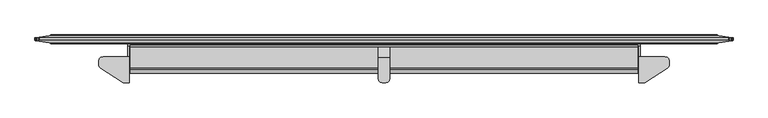
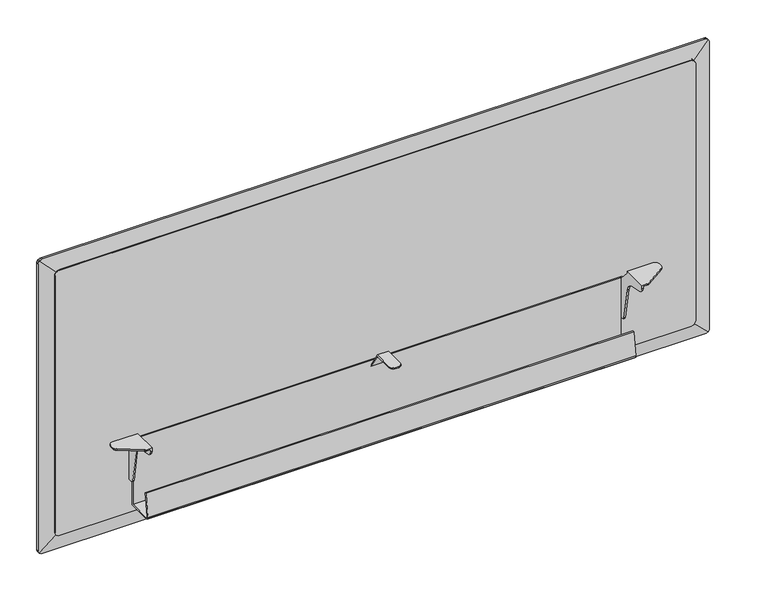
"""IFC4 building model written with IfcOpenShell, lengths in millimetres: furniture geometry."""

from ifc_helpers import new_model, si_unit, frame, origin, place, context, project, spatial, polyline, outline, extrude, faceted_brep, source, transform, mapped, element, save


def furniture_fb8d3886(model_context):
    return source(origin(), model_context, "Body", "SolidModel", [
        faceted_brep([(1373.8859978, -47.2440001, 703.2318954), (1317.1170065, -47.2440001, 703.2318954), (1317.1170065, -103.8860008, 703.2318954), (1328.2202986, -103.8860008, 703.2318954), (1330.0649535, -103.7056703, 703.2318954), (1331.8397543, -103.1715187, 703.2318954), (1333.4774996, -102.3037619, 703.2318954), (1379.1431987, -72.0782948, 703.2318954), (1381.4257901, -69.955943, 703.2318954), (1382.9010453, -67.2103598, 703.2318954), (1383.4109978, -64.1355338, 703.2318954), (1383.4109978, -56.7690004, 703.2318954), (1382.1348948, -52.0064998, 703.2318954), (1378.6484978, -48.520108, 703.2318954), (1317.1170065, -103.8860008, 695.6004571), (1320.1649945, -103.8860008, 695.6004571), (1320.1649945, -103.8860008, 700.1838983), (1328.2202986, -103.8860008, 700.1838983), (1320.1649945, -19.05, 578.009924), (1307.3380068, -19.05, 578.009924), (1302.5755068, -19.05, 579.2860452), (1299.0891098, -19.05, 582.772424), (1297.8130068, -19.05, 587.534924), (1297.8130068, -19.05, 663.7348876), (1299.0891098, -19.05, 668.4973876), (1302.5755068, -19.05, 671.9838027), (1307.3380068, -19.05, 673.2598876), (1320.1649945, -19.05, 673.2598876), (1320.1649945, -47.2440001, 700.1838983), (1373.8859978, -47.2440001, 700.1838983), (1378.6484978, -48.520108, 700.1838983), (1382.1348948, -52.0064998, 700.1838983), (1383.4109978, -56.7690004, 700.1838983), (1383.4109978, -64.1355338, 700.1838983), (1382.9010453, -67.2103598, 700.1838983), (1381.4257901, -69.955943, 700.1838983), (1379.1431987, -72.0782948, 700.1838983), (1333.4774996, -102.3037619, 700.1838983), (1331.8397543, -103.1715187, 700.1838983), (1330.0649535, -103.7056703, 700.1838983), (1320.1649945, -102.535134, 689.9007324), (1320.1649945, -98.769916, 685.4135063), (1320.1649945, -93.3913335, 683.0934444), (1320.1649945, -67.1971565, 678.4746856), (1320.1649945, -57.6502931, 674.6819665), (1320.1649945, -50.386431, 667.418093), (1320.1649945, -46.5937042, 657.8712194), (1320.1649945, -33.4372464, 583.2572418), (1320.1649945, -32.2771995, 580.56798), (1320.1649945, -30.0335922, 578.6853551), (1320.1649945, -27.1837173, 578.009924), (1320.1649945, -24.1299997, 673.2598876), (1320.1649945, -47.2440001, 698.1519002), (1317.1170065, -47.2440001, 698.1519002), (1317.1170065, -24.1299997, 673.2598876), (1307.3380068, -22.0979994, 673.2598876), (1317.1170065, -22.0979994, 673.2598876), (1317.1170065, -98.769916, 685.4135063), (1317.1170065, -93.3913335, 683.0934444), (1317.1170065, -102.535134, 689.9007324), (1317.1170065, -27.1837173, 578.009924), (1317.1170065, -22.0979994, 578.009924), (1307.3380068, -22.0979994, 578.009924), (1317.1170065, -30.0335922, 578.6853551), (1317.1170065, -32.2771995, 580.56798), (1317.1170065, -33.4372464, 583.2572418), (1317.1170065, -46.5937042, 657.8712194), (1317.1170065, -50.386431, 667.418093), (1317.1170065, -57.6502931, 674.6819665), (1317.1170065, -67.1971565, 678.4746856), (1302.5755068, -22.0979994, 671.9838027), (1299.0891098, -22.0979994, 668.4973876), (1297.8130068, -22.0979994, 663.7348876), (1297.8130068, -22.0979994, 587.534924), (1299.0891098, -22.0979994, 582.772424), (1302.5755068, -22.0979994, 579.2860452)], [[[0, 1, 2, 3, 4, 5, 6, 7, 8, 9, 10, 11, 12, 13]], [[3, 2, 14, 15, 16, 17]], [[18, 19, 20, 21, 22, 23, 24, 25, 26, 27]], [[28, 29, 30, 31, 32, 33, 34, 35, 36, 37, 38, 39, 17, 16]], [[16, 15, 40, 41, 42, 43, 44, 45, 46, 47, 48, 49, 50, 18, 27, 51, 52, 28]], [[29, 28, 52, 53, 1, 0]], [[13, 30, 29, 0]], [[12, 31, 30, 13]], [[11, 32, 31, 12]], [[10, 33, 32, 11]], [[9, 34, 33, 10]], [[8, 35, 34, 9]], [[7, 36, 35, 8]], [[6, 37, 36, 7]], [[5, 38, 37, 6]], [[4, 39, 38, 5]], [[3, 17, 39, 4]], [[51, 54, 53, 52]], [[27, 26, 55, 56, 54, 51]], [[41, 57, 58, 42]], [[40, 59, 57, 41]], [[15, 14, 59, 40]], [[50, 60, 61, 62, 19, 18]], [[49, 63, 60, 50]], [[48, 64, 63, 49]], [[47, 65, 64, 48]], [[46, 66, 65, 47]], [[45, 67, 66, 46]], [[44, 68, 67, 45]], [[43, 69, 68, 44]], [[42, 58, 69, 43]], [[61, 60, 63, 64, 65, 66, 67, 68, 69, 58, 57, 59, 14, 2, 1, 53, 54, 56]], [[56, 55, 70, 71, 72, 73, 74, 75, 62, 61]], [[70, 55, 26, 25]], [[25, 24, 71, 70]], [[24, 23, 72, 71]], [[23, 22, 73, 72]], [[22, 21, 74, 73]], [[21, 20, 75, 74]], [[20, 19, 62, 75]]]),
        faceted_brep([(758.8249879, -22.0979994, 576.2815516), (765.175, -22.0979994, 576.2815516), (769.9375, -22.0979994, 577.5576729), (770.9027027, -22.0979994, 578.5228756), (753.0972852, -22.0979994, 578.5228756), (754.0624879, -22.0979994, 577.5576729), (773.4238788, -22.0979994, 581.0440516), (773.6825067, -22.0979994, 582.0092544), (750.3174812, -22.0979994, 582.0092544), (750.5761091, -22.0979994, 581.0440516), (774.6999879, -22.0979994, 586.7717544), (749.2999879, -22.0979994, 586.7717544), (749.2999879, -22.0979994, 585.8065516), (774.6999879, -22.0979994, 585.8065064), (774.6999879, -22.0979994, 656.5709459), (749.2999879, -22.0979994, 656.5709459), (774.6999879, -49.7950483, 699.4207287), (749.2999879, -49.7950483, 699.4207287), (774.6999879, -94.4880459, 699.4207287), (773.4238788, -99.2505007, 699.4207287), (769.9375, -102.7368931, 699.4207287), (766.3416142, -103.7004075, 699.4207287), (757.6583736, -103.7004075, 699.4207287), (754.0624879, -102.7368931, 699.4207287), (750.5761091, -99.2505007, 699.4207287), (749.2999879, -94.4880007, 699.4207287), (749.2999879, -48.7171998, 702.4687258), (774.6999879, -48.7171998, 702.4687258), (774.6999879, -19.05, 656.5709459), (749.2999879, -19.05, 656.5709459), (749.2999879, -94.4880007, 702.4687258), (750.5761091, -99.2505007, 702.4687258), (754.0624879, -102.7368931, 702.4687258), (757.6583736, -103.7004075, 702.4687258), (766.3416142, -103.7004075, 702.4687258), (769.9375, -102.7368931, 702.4687258), (773.4238788, -99.2505007, 702.4687258), (774.6999879, -94.4880459, 702.4687258), (758.8249879, -19.05, 576.2815516), (765.175, -19.05, 576.2815516), (774.6999879, -19.05, 585.8065064), (773.4238788, -19.05, 581.0440516), (769.9375, -19.05, 577.5576729), (754.0624879, -19.05, 577.5576729), (750.5761091, -19.05, 581.0440516), (749.2999879, -19.05, 585.8065516)], [[[0, 1, 2, 3, 4, 5]], [[4, 3, 6, 7, 8, 9]], [[10, 11, 12, 8, 7, 13]], [[11, 10, 14, 15]], [[15, 14, 16, 17]], [[17, 16, 18, 19, 20, 21, 22, 23, 24, 25]], [[26, 27, 28, 29]], [[27, 26, 30, 31, 32, 33, 34, 35, 36, 37]], [[38, 39, 1, 0]], [[29, 28, 40, 41, 42, 39, 38, 43, 44, 45]], [[11, 15, 17, 25, 30, 26, 29, 45, 12]], [[14, 10, 13, 40, 28, 27, 37, 18, 16]], [[6, 41, 40, 13, 7]], [[41, 6, 3, 2, 42]], [[42, 2, 1, 39]], [[5, 43, 38, 0]], [[43, 5, 4, 9, 44]], [[44, 9, 8, 12, 45]], [[36, 19, 18, 37]], [[19, 36, 35, 20]], [[20, 35, 34, 21]], [[21, 34, 33, 22]], [[22, 33, 32, 23]], [[23, 32, 31, 24]], [[24, 31, 30, 25]]]),
        faceted_brep([(150.1140022, -47.2440001, 703.2318954), (145.3515022, -48.520108, 703.2318954), (141.8651052, -52.0064998, 703.2318954), (140.5890022, -56.7690004, 703.2318954), (140.5890022, -64.1355338, 703.2318954), (141.0989547, -67.2103598, 703.2318954), (142.5742099, -69.955943, 703.2318954), (144.8568013, -72.0782948, 703.2318954), (190.5225004, -102.3037619, 703.2318954), (192.1602457, -103.1715187, 703.2318954), (193.9350465, -103.7056703, 703.2318954), (195.7797014, -103.8860008, 703.2318954), (206.8829935, -103.8860008, 703.2318954), (206.8829935, -47.2440001, 703.2318954), (195.7797014, -103.8860008, 700.1838983), (203.8350055, -103.8860008, 700.1838983), (203.8350055, -103.8860008, 695.6004571), (206.8829935, -103.8860008, 695.6004571), (203.8350055, -19.05, 578.009924), (203.8350055, -19.05, 673.2598876), (216.6619932, -19.05, 673.2598876), (221.4244932, -19.05, 671.9838027), (224.9108902, -19.05, 668.4973876), (226.1869932, -19.05, 663.7348876), (226.1869932, -19.05, 587.534924), (224.9108902, -19.05, 582.772424), (221.4244932, -19.05, 579.2860452), (216.6619932, -19.05, 578.009924), (203.8350055, -47.2440001, 700.1838983), (193.9350465, -103.7056703, 700.1838983), (192.1602457, -103.1715187, 700.1838983), (190.5225004, -102.3037619, 700.1838983), (144.8568013, -72.0782948, 700.1838983), (142.5742099, -69.955943, 700.1838983), (141.0989547, -67.2103598, 700.1838983), (140.5890022, -64.1355338, 700.1838983), (140.5890022, -56.7690004, 700.1838983), (141.8651052, -52.0064998, 700.1838983), (145.3515022, -48.520108, 700.1838983), (150.1140022, -47.2440001, 700.1838983), (203.8350055, -47.2440001, 698.1519002), (203.8350055, -24.1299997, 673.2598876), (203.8350055, -27.1837173, 578.009924), (203.8350055, -30.0335922, 578.6853551), (203.8350055, -32.2771995, 580.56798), (203.8350055, -33.4372464, 583.2572418), (203.8350055, -46.5937042, 657.8712194), (203.8350055, -50.386431, 667.418093), (203.8350055, -57.6502931, 674.6819665), (203.8350055, -67.1971565, 678.4746856), (203.8350055, -93.3913335, 683.0934444), (203.8350055, -98.769916, 685.4135063), (203.8350055, -102.535134, 689.9007324), (206.8829935, -47.2440001, 698.1519002), (206.8829935, -24.1299997, 673.2598876), (206.8829935, -22.0979994, 673.2598876), (216.6619932, -22.0979994, 673.2598876), (206.8829935, -93.3913335, 683.0934444), (206.8829935, -98.769916, 685.4135063), (206.8829935, -102.535134, 689.9007324), (216.6619932, -22.0979994, 578.009924), (206.8829935, -22.0979994, 578.009924), (206.8829935, -27.1837173, 578.009924), (206.8829935, -30.0335922, 578.6853551), (206.8829935, -32.2771995, 580.56798), (206.8829935, -33.4372464, 583.2572418), (206.8829935, -46.5937042, 657.8712194), (206.8829935, -50.386431, 667.418093), (206.8829935, -57.6502931, 674.6819665), (206.8829935, -67.1971565, 678.4746856), (221.4244932, -22.0979994, 579.2860452), (224.9108902, -22.0979994, 582.772424), (226.1869932, -22.0979994, 587.534924), (226.1869932, -22.0979994, 663.7348876), (224.9108902, -22.0979994, 668.4973876), (221.4244932, -22.0979994, 671.9838027)], [[[0, 1, 2, 3, 4, 5, 6, 7, 8, 9, 10, 11, 12, 13]], [[11, 14, 15, 16, 17, 12]], [[18, 19, 20, 21, 22, 23, 24, 25, 26, 27]], [[28, 15, 14, 29, 30, 31, 32, 33, 34, 35, 36, 37, 38, 39]], [[15, 28, 40, 41, 19, 18, 42, 43, 44, 45, 46, 47, 48, 49, 50, 51, 52, 16]], [[39, 0, 13, 53, 40, 28]], [[1, 0, 39, 38]], [[2, 1, 38, 37]], [[3, 2, 37, 36]], [[4, 3, 36, 35]], [[5, 4, 35, 34]], [[6, 5, 34, 33]], [[7, 6, 33, 32]], [[8, 7, 32, 31]], [[9, 8, 31, 30]], [[10, 9, 30, 29]], [[11, 10, 29, 14]], [[41, 40, 53, 54]], [[19, 41, 54, 55, 56, 20]], [[51, 50, 57, 58]], [[52, 51, 58, 59]], [[16, 52, 59, 17]], [[42, 18, 27, 60, 61, 62]], [[43, 42, 62, 63]], [[44, 43, 63, 64]], [[45, 44, 64, 65]], [[46, 45, 65, 66]], [[47, 46, 66, 67]], [[48, 47, 67, 68]], [[49, 48, 68, 69]], [[50, 49, 69, 57]], [[61, 55, 54, 53, 13, 12, 17, 59, 58, 57, 69, 68, 67, 66, 65, 64, 63, 62]], [[55, 61, 60, 70, 71, 72, 73, 74, 75, 56]], [[75, 21, 20, 56]], [[21, 75, 74, 22]], [[22, 74, 73, 23]], [[23, 73, 72, 24]], [[24, 72, 71, 25]], [[25, 71, 70, 26]], [[26, 70, 60, 27]]]),
        extrude(outline(polyline([(-22.2259803, 516.3833061), (-77.4051408, 516.3833061), (-80.8321751, 517.3659924), (-83.1908324, 520.0793173), (-83.6878951, 523.6161021), (-76.1664074, 577.1342685), (-73.0276067, 576.6931389), (-80.5557387, 523.1276965), (-80.3126746, 521.3982054), (-79.1365997, 520.0452861), (-77.4094889, 519.5500451), (-25.3867342, 519.5500451), (-25.3867342, 675.2348745), (-22.2259803, 675.2348745), (-22.2259803, 516.3833061)])), frame((209.2706021, 0.0, 0.0), z_axis=(1.0, 0.0, 0.0), x_axis=(0.0, 1.0, 0.0)), (0.0, 0.0, 1.0), 1105.4587656),
        extrude(outline(polyline([(1133.602, 1477.1178925), (1133.602, 46.8257121), (1132.9159549, 43.184392), (1131.8278673, 40.7952556), (1130.5466955, 39.2079102), (1128.6346029, 37.7230447), (1126.3089454, 36.7081476), (1123.6517493, 36.322), (508.4958553, 36.322), (505.8386592, 36.7081476), (503.5130017, 37.7230447), (501.6009091, 39.2079102), (500.3197373, 40.7952556), (499.2316497, 43.184392), (498.602, 46.5263823), (498.602, 1477.4172223), (499.2316497, 1480.7592125), (500.3197373, 1483.1483489), (501.6009091, 1484.7356944), (503.5130017, 1486.2205599), (505.8386592, 1487.235457), (508.8839288, 1487.678), (1123.2636758, 1487.678), (1126.3089454, 1487.235457), (1128.6346029, 1486.2205599), (1130.5466955, 1484.7356944), (1131.8278673, 1483.1483489), (1132.9159549, 1480.7592125), (1133.602, 1477.1178925)])), frame((0.0, -19.05, 0.0), z_axis=(0.0, 1.0, 0.0), x_axis=(0.0, 0.0, 1.0)), (0.0, 0.0, 1.0), 19.05),
        faceted_brep([(1484.4466046, -1.27, 501.8333954), (1484.4466046, -1.27, 1130.3706046), (1519.5341432, -6.201232, 1165.4581432), (1521.0749553, -6.417779, 1163.4740069), (1522.0898524, -6.5604135, 1161.1483494), (1522.476, -6.614683, 1158.4911533), (1522.476, -6.614683, 473.7128467), (1522.0898524, -6.5604135, 471.0556506), (1521.0749553, -6.417779, 468.7299931), (1519.5341432, -6.201232, 466.7458568), (1484.4466046, -17.78, 1130.3706046), (1484.4466046, -17.78, 501.8333954), (1519.5341432, -12.5994806, 466.7458568), (1521.0749553, -12.3719865, 468.7299931), (1522.0898524, -12.2221415, 471.0556506), (1522.476, -12.1651285, 473.7128467), (1522.476, -12.1651285, 1158.4911533), (1522.0898524, -12.2221415, 1161.1483494), (1521.0749553, -12.3719865, 1163.4740069), (1519.5341432, -12.5994806, 1165.4581432), (39.5533954, -1.27, 501.8333954), (1518.0027444, -6.3711638, 465.5367287), (1515.613608, -6.5240846, 464.4486411), (1512.1920479, -6.614683, 463.804), (11.8079521, -6.614683, 463.804), (8.386392, -6.5240846, 464.4486411), (5.9972556, -6.3711638, 465.5367287), (4.479154, -6.1989614, 466.7620127), (39.5533954, -17.78, 501.8333954), (4.4658568, -12.5994806, 466.7458568), (5.9972556, -12.4209582, 465.5367287), (8.386392, -12.2603069, 464.4486411), (11.8079521, -12.1651285, 463.804), (1512.1920479, -12.1651285, 463.804), (1515.613608, -12.2603069, 464.4486411), (1518.0027444, -12.4209582, 465.5367287), (39.5533954, -1.27, 1130.3706046), (2.9250447, -6.417779, 468.7299931), (1.9101476, -6.5604135, 471.0556506), (1.524, -6.614683, 473.7128467), (1.524, -6.614683, 1158.4911533), (1.9101476, -6.5604135, 1161.1483494), (2.9250447, -6.417779, 1163.4740069), (4.4658568, -6.201232, 1165.4581432), (39.5533954, -17.78, 1130.3706046), (4.4658568, -12.5994806, 1165.4581432), (2.9250447, -12.3719865, 1163.4740069), (1.9101476, -12.2221415, 1161.1483494), (1.524, -12.1651285, 1158.4911533), (1.524, -12.1651285, 473.7128467), (1.9101476, -12.2221415, 471.0556506), (2.9250447, -12.3719865, 468.7299931), (5.9972556, -6.3711638, 1166.6672713), (8.386392, -6.5240846, 1167.7553589), (11.8079521, -6.614683, 1168.4), (1512.1920479, -6.614683, 1168.4), (1515.613608, -6.5240846, 1167.7553589), (1518.0027444, -6.3711638, 1166.6672713), (1518.0027444, -12.4209582, 1166.6672713), (1515.613608, -12.2603069, 1167.7553589), (1512.1920479, -12.1651285, 1168.4), (11.8079521, -12.1651285, 1168.4), (8.386392, -12.2603069, 1167.7553589), (5.9972556, -12.4209582, 1166.6672713)], [[[0, 1, 2, 3, 4, 5, 6, 7, 8, 9]], [[10, 11, 12, 13, 14, 15, 16, 17, 18, 19]], [[20, 0, 9, 21, 22, 23, 24, 25, 26, 27]], [[11, 28, 29, 30, 31, 32, 33, 34, 35, 12]], [[36, 20, 27, 37, 38, 39, 40, 41, 42, 43]], [[28, 44, 45, 46, 47, 48, 49, 50, 51, 29]], [[1, 36, 43, 52, 53, 54, 55, 56, 57, 2]], [[44, 10, 19, 58, 59, 60, 61, 62, 63, 45]], [[1, 0, 11, 10]], [[0, 20, 28, 11]], [[20, 36, 44, 28]], [[36, 1, 10, 44]], [[5, 16, 15, 6]], [[23, 33, 32, 24]], [[48, 40, 39, 49]], [[54, 61, 60, 55]], [[41, 47, 46, 42]], [[45, 43, 42, 46]], [[43, 45, 63, 52]], [[52, 63, 62, 53]], [[53, 62, 61, 54]], [[47, 41, 40, 48]], [[3, 18, 17, 4]], [[2, 19, 18, 3]], [[19, 2, 57, 58]], [[58, 57, 56, 59]], [[59, 56, 55, 60]], [[4, 17, 16, 5]], [[7, 14, 13, 8]], [[12, 9, 8, 13]], [[9, 12, 35, 21]], [[21, 35, 34, 22]], [[22, 34, 33, 23]], [[14, 7, 6, 15]], [[37, 51, 50, 38]], [[27, 29, 51, 37]], [[29, 27, 26, 30]], [[30, 26, 25, 31]], [[31, 25, 24, 32]], [[38, 50, 49, 39]]]),
    ])


if __name__ == "__main__":
    model = new_model("IFC4")
    model_context = context("Model", 3, world=origin())
    ifc_project = project(units=[si_unit("LENGTHUNIT", "METRE", prefix="MILLI")], contexts=[model_context])
    site = spatial("IfcSite", under=ifc_project)
    building = spatial("IfcBuilding", under=site)
    placement = place(None, origin())
    furniture_shape = furniture_fb8d3886(model_context)
    element("IfcFurniture", 1, at=placement, inside=building, context=model_context, shape_type="MappedRepresentation", body=[
        mapped(furniture_shape, transform((0.0, 0.0, 0.0), x_axis=(1.0, 0.0, 0.0), y_axis=(0.0, 1.0, 0.0), z_axis=(0.0, 0.0, 1.0))),
    ])
    save(model, "model.ifc")
